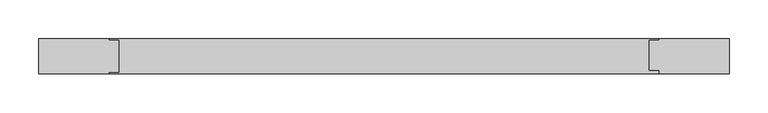
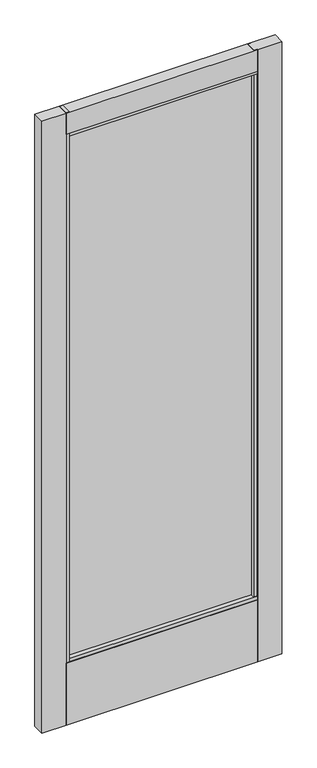
"""IFC4 building model written with IfcOpenShell, lengths in millimetres: plate geometry."""

from ifc_helpers import new_model, si_unit, frame, origin, place, context, project, spatial, polyline, outline, extrude, source, transform, mapped, element, save


def plate_4865e1e0(model_context):
    return source(origin(), model_context, "Body", "SweptSolid", [
        extrude(outline(polyline([(-443.1660618, 14.2875), (-353.4590212, 14.2875), (-353.4590212, 12.7276195), (-340.7590212, 12.7276195), (-340.7590212, -28.2929584), (-353.4590212, -28.2929584), (-353.4590212, -30.1625), (-443.1660618, -30.1625), (-443.1660618, 14.2875)])), frame((0.0, 0.0, 17.4625), z_axis=(0.0, 0.0, 1.0), x_axis=(1.0, 0.0, 0.0)), (0.0, 0.0, 1.0), 2387.6),
        extrude(outline(polyline([(-349.1505575, -10.8991855), (-349.1505575, -4.5491855), (345.550184, -4.5491855), (345.550184, -10.8991855), (-349.1505575, -10.8991855)])), frame((0.0, 0.0, 263.906), z_axis=(0.0, 0.0, 1.0), x_axis=(1.0, 0.0, 0.0)), (0.0, 0.0, 1.0), 2053.844),
        extrude(outline(polyline([(443.1660618, 14.2875), (443.1660618, -30.1625), (353.4691416, -30.1625), (353.4691416, -26.0572968), (340.7691416, -26.0572968), (340.7691416, 12.7276195), (353.4691416, 12.7276195), (353.4691416, 14.2875), (443.1660618, 14.2875)])), frame((0.0, 0.0, 17.4625), z_axis=(0.0, 0.0, 1.0), x_axis=(1.0, 0.0, 0.0)), (0.0, 0.0, 1.0), 2387.6),
        extrude(outline(polyline([(-30.1625, 2405.0625), (14.2875, 2405.0625), (14.2875, 2322.515294), (12.7276195, 2322.515294), (12.7276195, 2309.8125), (-28.2929584, 2309.8125), (-28.2929584, 2322.515294), (-30.1625, 2322.515294), (-30.1625, 2405.0625)])), frame((-353.4590212, 0.0, 0.0), z_axis=(1.0, 0.0, 0.0), x_axis=(0.0, 1.0, 0.0)), (0.0, 0.0, 1.0), 706.9281628),
        extrude(outline(polyline([(-28.2929584, 271.4298836), (12.7276195, 271.4298836), (12.7276195, 258.7303916), (14.2875, 258.7303916), (14.2875, 17.4625), (-30.1625, 17.4625), (-30.1625, 258.7303916), (-28.2929584, 258.7303916), (-28.2929584, 271.4298836)])), frame((-353.4590212, 0.0, 0.0), z_axis=(1.0, 0.0, 0.0), x_axis=(0.0, 1.0, 0.0)), (0.0, 0.0, 1.0), 706.9281628),
    ])


if __name__ == "__main__":
    model = new_model("IFC4")
    model_context = context("Model", 3, world=origin())
    ifc_project = project(units=[si_unit("LENGTHUNIT", "METRE", prefix="MILLI")], contexts=[model_context])
    site = spatial("IfcSite", under=ifc_project)
    building = spatial("IfcBuilding", under=site)
    placement = place(None, origin())
    plate_shape = plate_4865e1e0(model_context)
    element("IfcPlate", 1, at=placement, inside=building, context=model_context, shape_type="MappedRepresentation", body=[
        mapped(plate_shape, transform((0.0, 0.0, 0.0), x_axis=(1.0, 0.0, 0.0), y_axis=(0.0, 1.0, 0.0), z_axis=(0.0, 0.0, 1.0))),
    ])
    save(model, "model.ifc")
